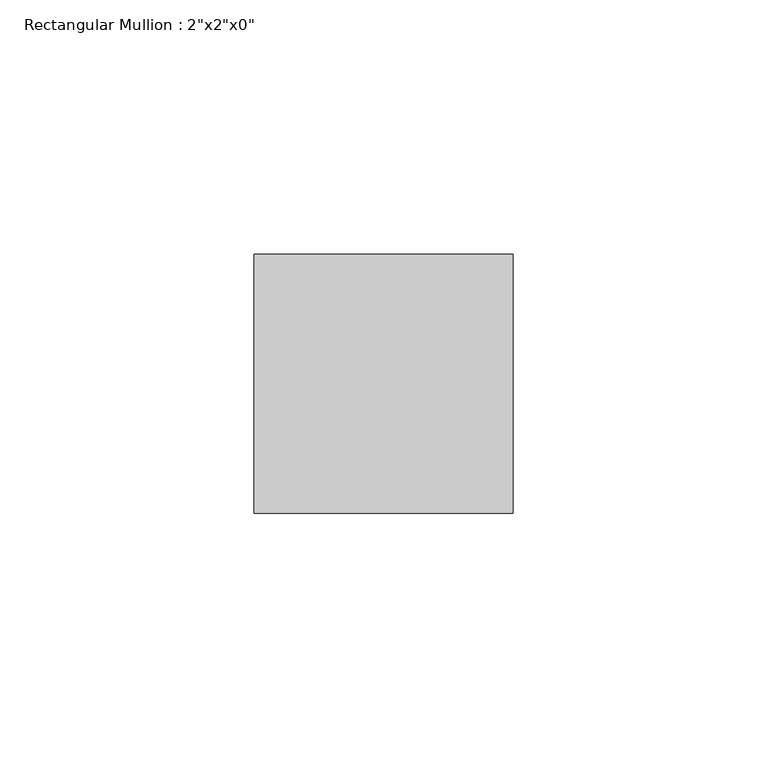
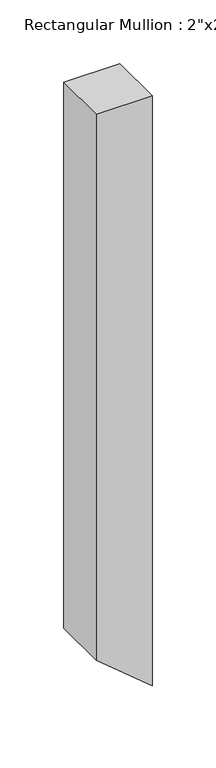
"""IFC4 building model written with IfcOpenShell, lengths in millimetres: member geometry."""

from ifc_helpers import new_model, si_unit, frame, origin, place, context, project, spatial, polyline, outline, extrude, source, transform, mapped, element, save


def member_1d078897(model_context):
    return source(origin(), model_context, "Body", "SweptSolid", [
        extrude(outline(polyline([(0.0, 0.0), (0.0, -50.8), (-523.2056816, -50.8), (-565.4738365, 0.0), (0.0, 0.0)])), frame((0.0, -25.4, 0.0), z_axis=(0.0, 1.0, 0.0), x_axis=(0.0, 0.0, 1.0)), (0.0, 0.0, 1.0), 50.8),
    ])


if __name__ == "__main__":
    model = new_model("IFC4")
    model_context = context("Model", 3, world=origin())
    ifc_project = project(units=[si_unit("LENGTHUNIT", "METRE", prefix="MILLI")], contexts=[model_context])
    site = spatial("IfcSite", under=ifc_project)
    building = spatial("IfcBuilding", under=site)
    placement = place(None, origin())
    member_shape = member_1d078897(model_context)
    element("IfcMember", 1, ObjectType="Rectangular Mullion : 2\"x2\"x0\"", at=placement, inside=building, context=model_context, shape_type="MappedRepresentation", body=[
        mapped(member_shape, transform((0.0, 0.0, 0.0), x_axis=(1.0, 0.0, 0.0), y_axis=(0.0, 1.0, 0.0), z_axis=(0.0, 0.0, 1.0))),
    ])
    save(model, "model.ifc")
